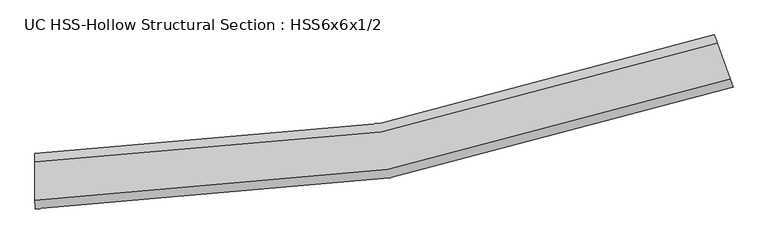
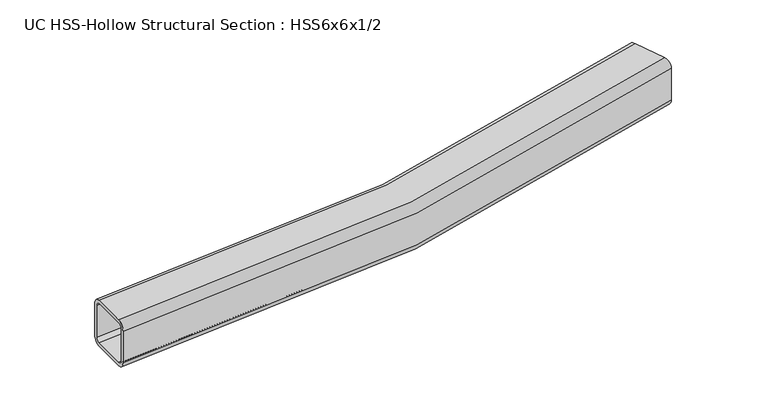
"""IFC4 building model written with IfcOpenShell, lengths in millimetres: beam geometry, UC HSS-Hollow Structural Section : HSS6x6x1/2."""

from ifc_helpers import new_model, si_unit, point, frame, origin, place, context, project, spatial, polyline, circle_curve, ellipse_curve, trimmed, source, transform, mapped, element, save
from ifc_brep_helpers import plane_surface, cylinder_surface, revolved_surface, advanced_brep


def uc_hss_hollow_structural_section_hss6x6x1_2_f903d75a(model_context):
    return source(origin(), model_context, "Body", "AdvancedBrep", [
        advanced_brep(
        [(1922.2670403, 258.4320915, 52.578), (1922.2670403, 258.4320915, -52.578), (1914.2846141, 280.6644947, -76.2), (1878.7499424, 379.634548, -76.2), (1870.7675162, 401.8669513, -52.578), (1870.7675162, 401.8669513, 52.578), (1878.7499424, 379.634548, 76.2), (1914.2846141, 280.6644947, 76.2), (1878.7499424, 379.634548, 64.389), (1874.7587293, 390.7507496, 52.578), (1874.7587293, 390.7507496, -52.578), (1878.7499424, 379.634548, -64.389), (1914.2846141, 280.6644947, -64.389), (1918.2758272, 269.5482931, -52.578), (1918.2758272, 269.5482931, 52.578), (1914.2846141, 280.6644947, 64.389), (10.5442773, -76.1902274, 52.578), (10.500491, -52.568268, 76.2), (10.3055714, 52.5875513, 76.2), (10.2617852, 76.2095107, 52.578), (10.2617852, 76.2095107, -52.578), (10.3055714, 52.5875513, -76.2), (10.500491, -52.568268, -76.2), (10.5442773, -76.1902274, -52.578), (10.3055714, 52.5875513, 64.389), (10.500491, -52.568268, 64.389), (10.5223841, -64.3792477, 52.578), (10.5223841, -64.3792477, -52.578), (10.500491, -52.568268, -64.389), (10.3055714, 52.5875513, -64.389), (10.2836783, 64.398531, -52.578), (10.2836783, 64.398531, 52.578)],
        [
            (0, 1),
            (1, 2, circle_curve(frame((1914.2846141, 280.6644947, -52.578), z_axis=(0.9411736208787445, 0.33792338682309847, 0.0), x_axis=(-0.33792338682309847, 0.9411736208787445, 0.0)), 23.622)),
            (2, 3),
            (3, 4, circle_curve(frame((1878.7499424, 379.634548, -52.578), z_axis=(0.9411736208787447, 0.3379233868230981, 0.0), x_axis=(-0.3379233868230981, 0.9411736208787447, 0.0)), 23.622)),
            (4, 5),
            (5, 6, circle_curve(frame((1878.7499424, 379.634548, 52.578), z_axis=(0.9411736208787445, 0.33792338682309847, 0.0), x_axis=(-0.33792338682309847, 0.9411736208787445, 0.0)), 23.622)),
            (6, 7),
            (7, 0, circle_curve(frame((1914.2846141, 280.6644947, 52.578), z_axis=(0.9411736208787447, 0.3379233868230981, 0.0), x_axis=(-0.3379233868230981, 0.9411736208787447, 0.0)), 23.622)),
            (8, 9, circle_curve(frame((1878.7499424, 379.634548, 52.578), z_axis=(-0.9411736208787445, -0.33792338682309847, 0.0), x_axis=(-0.33792338682309847, 0.9411736208787445, 0.0)), 11.811)),
            (9, 10),
            (10, 11, circle_curve(frame((1878.7499424, 379.634548, -52.578), z_axis=(-0.9411736208787447, -0.3379233868230981, 0.0), x_axis=(-0.3379233868230981, 0.9411736208787447, 0.0)), 11.811)),
            (11, 12),
            (12, 13, circle_curve(frame((1914.2846141, 280.6644947, -52.578), z_axis=(-0.9411736208787445, -0.33792338682309847, 0.0), x_axis=(-0.33792338682309847, 0.9411736208787445, 0.0)), 11.811)),
            (13, 14),
            (14, 15, circle_curve(frame((1914.2846141, 280.6644947, 52.578), z_axis=(-0.9411736208787447, -0.3379233868230981, 0.0), x_axis=(-0.3379233868230981, 0.9411736208787447, 0.0)), 11.811)),
            (15, 8),
            (16, 17, circle_curve(frame((10.500491, -52.568268, 52.578), z_axis=(-0.9999982820399017, -0.0018536227353748713, 0.0), x_axis=(-0.0018536227353748713, 0.9999982820399017, 0.0)), 23.622)),
            (17, 18),
            (18, 19, circle_curve(frame((10.3055714, 52.5875513, 52.578), z_axis=(-0.9999982820399017, -0.0018536227353748713, 0.0), x_axis=(-0.0018536227353748713, 0.9999982820399017, 0.0)), 23.622)),
            (19, 20),
            (20, 21, circle_curve(frame((10.3055714, 52.5875513, -52.578), z_axis=(-0.9999982820399017, -0.0018536227353748713, 0.0), x_axis=(-0.0018536227353748713, 0.9999982820399017, 0.0)), 23.622)),
            (21, 22),
            (22, 23, circle_curve(frame((10.500491, -52.568268, -52.578), z_axis=(-0.9999982820399017, -0.0018536227353748713, 0.0), x_axis=(-0.0018536227353748713, 0.9999982820399017, 0.0)), 23.622)),
            (23, 16),
            (24, 25),
            (25, 26, circle_curve(frame((10.500491, -52.568268, 52.578), z_axis=(0.9999982820399017, 0.0018536227353748713, 0.0), x_axis=(-0.0018536227353748713, 0.9999982820399017, 0.0)), 11.811)),
            (26, 27),
            (27, 28, circle_curve(frame((10.500491, -52.568268, -52.578), z_axis=(0.9999982820399017, 0.0018536227353748713, 0.0), x_axis=(-0.0018536227353748713, 0.9999982820399017, 0.0)), 11.811)),
            (28, 29),
            (29, 30, circle_curve(frame((10.3055714, 52.5875513, -52.578), z_axis=(0.9999982820399017, 0.0018536227353748713, 0.0), x_axis=(-0.0018536227353748713, 0.9999982820399017, 0.0)), 11.811)),
            (30, 31),
            (31, 24, circle_curve(frame((10.3055714, 52.5875513, 52.578), z_axis=(0.9999982820399017, 0.0018536227353748713, 0.0), x_axis=(-0.0018536227353748713, 0.9999982820399017, 0.0)), 11.811)),
            (7, 17, circle_curve(frame((0.0, 5612.2699766, 76.2), z_axis=(0.0, 0.0, -1.0), x_axis=(-0.905831646817391, 0.42363784961225254, 0.0)), 5664.8479766)),
            (16, 0, circle_curve(frame((0.0, 5612.2699766, 52.578), z_axis=(0.0, 0.0, 1.0), x_axis=(-0.905831646817391, 0.42363784961225254, 0.0)), 5688.4699766)),
            (6, 18, circle_curve(frame((0.0, 5612.2699766, 76.2), z_axis=(0.0, 0.0, -1.0), x_axis=(-0.905831646817391, 0.42363784961225254, 0.0)), 5559.6919766)),
            (5, 19, circle_curve(frame((0.0, 5612.2699766, 52.578), z_axis=(0.0, 0.0, -1.0), x_axis=(-0.905831646817391, 0.42363784961225254, 0.0)), 5536.0699766)),
            (4, 20, circle_curve(frame((0.0, 5612.2699766, -52.578), z_axis=(0.0, 0.0, -1.0), x_axis=(-0.905831646817391, 0.42363784961225254, 0.0)), 5536.0699766)),
            (3, 21, circle_curve(frame((0.0, 5612.2699766, -76.2), z_axis=(0.0, 0.0, -1.0), x_axis=(-0.905831646817391, 0.42363784961225254, 0.0)), 5559.6919766)),
            (2, 22, circle_curve(frame((0.0, 5612.2699766, -76.2), z_axis=(0.0, 0.0, -1.0), x_axis=(-0.905831646817391, 0.42363784961225254, 0.0)), 5664.8479766)),
            (1, 23, circle_curve(frame((0.0, 5612.2699766, -52.578), z_axis=(0.0, 0.0, -1.0), x_axis=(-0.905831646817391, 0.42363784961225254, 0.0)), 5688.4699766)),
            (15, 25, circle_curve(frame((0.0, 5612.2699766, 64.389), z_axis=(0.0, 0.0, -1.0), x_axis=(-0.905831646817391, 0.42363784961225254, 0.0)), 5664.8479766)),
            (24, 8, circle_curve(frame((0.0, 5612.2699766, 64.389), z_axis=(0.0, 0.0, 1.0), x_axis=(-0.905831646817391, 0.42363784961225254, 0.0)), 5559.6919766)),
            (14, 26, circle_curve(frame((0.0, 5612.2699766, 52.578), z_axis=(0.0, 0.0, -1.0), x_axis=(-0.905831646817391, 0.42363784961225254, 0.0)), 5676.6589766)),
            (13, 27, circle_curve(frame((0.0, 5612.2699766, -52.578), z_axis=(0.0, 0.0, -1.0), x_axis=(-0.905831646817391, 0.42363784961225254, 0.0)), 5676.6589766)),
            (12, 28, circle_curve(frame((0.0, 5612.2699766, -64.389), z_axis=(0.0, 0.0, -1.0), x_axis=(-0.905831646817391, 0.42363784961225254, 0.0)), 5664.8479766)),
            (11, 29, circle_curve(frame((0.0, 5612.2699766, -64.389), z_axis=(0.0, 0.0, -1.0), x_axis=(-0.905831646817391, 0.42363784961225254, 0.0)), 5559.6919766)),
            (10, 30, circle_curve(frame((0.0, 5612.2699766, -52.578), z_axis=(0.0, 0.0, -1.0), x_axis=(-0.905831646817391, 0.42363784961225254, 0.0)), 5547.8809766)),
            (9, 31, circle_curve(frame((0.0, 5612.2699766, 52.578), z_axis=(0.0, 0.0, -1.0), x_axis=(-0.905831646817391, 0.42363784961225254, 0.0)), 5547.8809766)),
        ],
        [
            plane_surface(frame((1896.5172783, 330.1495214, 0.0), z_axis=(0.9411736208787425, 0.33792338682310413, 0.0), x_axis=(0.0, 0.0, 1.0))),
            plane_surface(frame((10.4030312, 0.0096417, 0.0), z_axis=(-0.9999982820399018, -0.0018536227353813661, 0.0), x_axis=(0.0, 0.0, 1.0))),
            revolved_surface(trimmed(ellipse_curve(frame((-5131.3985716, 8012.1139918, 52.578), z_axis=(-0.4236378496122576, -0.9058316468173887, 0.0), x_axis=(0.9058316468173887, -0.4236378496122576, 0.0)), 23.622, 23.622), [point((-5131.3985716, 8012.1139918, 76.2))], [point((-5152.7961268, 8022.121165, 52.578))], True, "CARTESIAN"), (0.0, 5612.2699766, 0.0), (0.0, 0.0, -1.0000000000000002)),
            plane_surface(frame((0.0, 5612.2699766, 76.2), z_axis=(0.0, 0.0, 1.0000000000000002), x_axis=(-0.905831646817391, 0.42363784961225254, 0.0))),
            revolved_surface(trimmed(ellipse_curve(frame((-5036.1449389, 7967.56593, 52.578), z_axis=(-0.4236378496122576, -0.9058316468173887, 0.0), x_axis=(0.9058316468173887, -0.4236378496122576, 0.0)), 23.622, 23.622), [point((-5014.7473838, 7957.5587568, 52.578))], [point((-5036.1449389, 7967.56593, 76.2))], True, "CARTESIAN"), (0.0, 5612.2699766, 0.0), (0.0, 0.0, -1.0000000000000002)),
            revolved_surface(polyline([(-5014.747383799893, 7957.558756789776, -52.57800000000003), (-5014.747383799893, 7957.558756789776, 52.57800000000003)]), (0.0, 5612.2699766, 0.0), (0.0, 0.0, -1.0000000000000002)),
            revolved_surface(trimmed(ellipse_curve(frame((-5036.1449389, 7967.56593, -52.578), z_axis=(-0.4236378496122576, -0.9058316468173887, 0.0), x_axis=(0.9058316468173887, -0.4236378496122576, 0.0)), 23.622, 23.622), [point((-5036.1449389, 7967.56593, -76.2))], [point((-5014.7473838, 7957.5587568, -52.578))], True, "CARTESIAN"), (0.0, 5612.2699766, 0.0), (0.0, 0.0, -1.0000000000000002)),
            plane_surface(frame((0.0, 5612.2699766, -76.2), z_axis=(0.0, 0.0, -1.0000000000000002), x_axis=(-0.905831646817391, 0.42363784961225254, 0.0))),
            revolved_surface(trimmed(ellipse_curve(frame((-5131.3985716, 8012.1139918, -52.578), z_axis=(-0.4236378496122576, -0.9058316468173887, 0.0), x_axis=(0.9058316468173887, -0.4236378496122576, 0.0)), 23.622, 23.622), [point((-5152.7961268, 8022.121165, -52.578))], [point((-5131.3985716, 8012.1139918, -76.2))], True, "CARTESIAN"), (0.0, 5612.2699766, 0.0), (0.0, 0.0, -1.0000000000000002)),
            cylinder_surface(frame((0.0, 5612.2699766, 0.0), z_axis=(0.0, 0.0, -1.0000000000000002), x_axis=(-0.905831646817391, 0.42363784961225254, 0.0)), 5688.4699766),
            plane_surface(frame((0.0, 5612.2699766, 64.389), z_axis=(0.0, 0.0, -1.0000000000000002), x_axis=(-0.905831646817391, 0.42363784961225254, 0.0))),
            revolved_surface(trimmed(ellipse_curve(frame((-5131.3985716, 8012.1139918, 52.578), z_axis=(0.4236378496122576, 0.9058316468173887, 0.0), x_axis=(0.9058316468173887, -0.4236378496122576, 0.0)), 11.811, 11.811), [point((-5142.0973492, 8017.1175784, 52.578))], [point((-5131.3985716, 8012.1139918, 64.389))], True, "CARTESIAN"), (0.0, 5612.2699766, 0.0), (0.0, 0.0, -1.0000000000000002)),
            revolved_surface(polyline([(-5142.097349194303, 8017.1175784289135, -52.57800000000003), (-5142.097349194303, 8017.1175784289135, 52.57800000000003)]), (0.0, 5612.2699766, 0.0), (0.0, 0.0, -1.0000000000000002)),
            revolved_surface(trimmed(ellipse_curve(frame((-5131.3985716, 8012.1139918, -52.578), z_axis=(0.4236378496122576, 0.9058316468173887, 0.0), x_axis=(0.9058316468173887, -0.4236378496122576, 0.0)), 11.811, 11.811), [point((-5131.3985716, 8012.1139918, -64.389))], [point((-5142.0973492, 8017.1175784, -52.578))], True, "CARTESIAN"), (0.0, 5612.2699766, 0.0), (0.0, 0.0, -1.0000000000000002)),
            plane_surface(frame((0.0, 5612.2699766, -64.389), z_axis=(0.0, 0.0, 1.0000000000000002), x_axis=(-0.905831646817391, 0.42363784961225254, 0.0))),
            revolved_surface(trimmed(ellipse_curve(frame((-5036.1449389, 7967.56593, -52.578), z_axis=(0.4236378496122576, 0.9058316468173887, 0.0), x_axis=(0.9058316468173887, -0.4236378496122576, 0.0)), 11.811, 11.811), [point((-5025.4461614, 7962.5623434, -52.578))], [point((-5036.1449389, 7967.56593, -64.389))], True, "CARTESIAN"), (0.0, 5612.2699766, 0.0), (0.0, 0.0, -1.0000000000000002)),
            cylinder_surface(frame((0.0, 5612.2699766, 0.0), z_axis=(0.0, 0.0, -1.0000000000000002), x_axis=(-0.905831646817391, 0.42363784961225254, 0.0)), 5547.8809766),
            revolved_surface(trimmed(ellipse_curve(frame((-5036.1449389, 7967.56593, 52.578), z_axis=(0.4236378496122576, 0.9058316468173887, 0.0), x_axis=(0.9058316468173887, -0.4236378496122576, 0.0)), 11.811, 11.811), [point((-5036.1449389, 7967.56593, 64.389))], [point((-5025.4461614, 7962.5623434, 52.578))], True, "CARTESIAN"), (0.0, 5612.2699766, 0.0), (0.0, 0.0, -1.0000000000000002)),
        ],
        [
            (0, [[1, 2, 3, 4, 5, 6, 7, 8], [9, 10, 11, 12, 13, 14, 15, 16]]),
            (1, [[17, 18, 19, 20, 21, 22, 23, 24], [25, 26, 27, 28, 29, 30, 31, 32]]),
            (2, [[33, -17, 34, -8]]),
            (3, [[35, -18, -33, -7]]),
            (4, [[36, -19, -35, -6]]),
            (5, [[37, -20, -36, -5]]),
            (6, [[38, -21, -37, -4]]),
            (7, [[39, -22, -38, -3]]),
            (8, [[40, -23, -39, -2]]),
            (9, [[-34, -24, -40, -1]]),
            (10, [[41, -25, 42, -16]]),
            (11, [[43, -26, -41, -15]]),
            (12, [[44, -27, -43, -14]]),
            (13, [[45, -28, -44, -13]]),
            (14, [[46, -29, -45, -12]]),
            (15, [[47, -30, -46, -11]]),
            (16, [[48, -31, -47, -10]]),
            (17, [[-42, -32, -48, -9]]),
        ],
    ),
    ])


if __name__ == "__main__":
    model = new_model("IFC4")
    model_context = context("Model", 3, world=origin())
    ifc_project = project(units=[si_unit("LENGTHUNIT", "METRE", prefix="MILLI")], contexts=[model_context])
    site = spatial("IfcSite", under=ifc_project)
    building = spatial("IfcBuilding", under=site)
    placement = place(None, origin())
    uc_hss_hollow_structural_section_hss6x6x1_2_shape = uc_hss_hollow_structural_section_hss6x6x1_2_f903d75a(model_context)
    element("IfcBeam", 1, ObjectType="UC HSS-Hollow Structural Section : HSS6x6x1/2", at=placement, inside=building, context=model_context, shape_type="MappedRepresentation", body=[
        mapped(uc_hss_hollow_structural_section_hss6x6x1_2_shape, transform((0.0, 0.0, 0.0), x_axis=(1.0, 0.0, 0.0), y_axis=(0.0, 1.0, 0.0), z_axis=(0.0, 0.0, 1.0))),
    ])
    save(model, "model.ifc")
